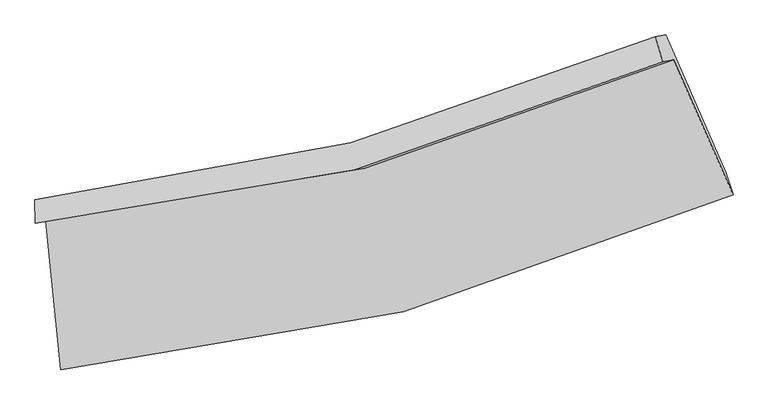
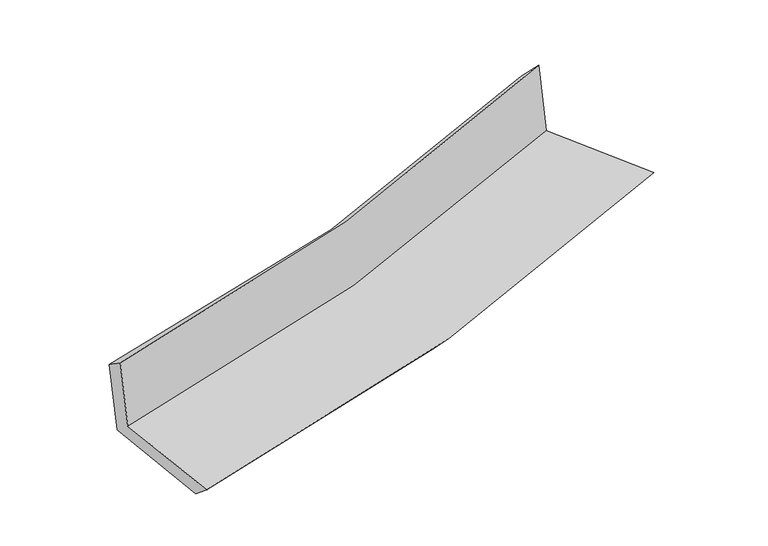
"""IFC4 building model written with IfcOpenShell, lengths in millimetres: proxy geometry."""

from ifc_helpers import new_model, si_unit, frame, origin, place, context, project, spatial, source, transform, mapped, element, save
from ifc_brep_helpers import plane_surface, spline_curve, spline_surface, advanced_brep


def generic_models_e5228876(model_context):
    return source(origin(), model_context, "Body", "AdvancedBrep", [
        advanced_brep(
        [(-1434.8310552, -1809.9180478, 1689.699542), (-1369.156308, -2467.2663661, 1684.2028177), (1604.557223, -1692.2559242, 2069.845354), (1342.1173855, -1095.5752312, 2051.0901304), (-1481.5936009, -1817.9301714, 2089.144283), (1293.7824511, -1103.8567621, 2463.9661839), (-1483.2734631, -1713.3890616, 2016.3982862), (1259.9635361, -993.3797168, 2343.2238659), (-1434.872361, -1705.0961937, 1602.9570292), (1305.7545266, -985.5340559, 1952.078131), (-1369.1987072, -2362.4335678, 1597.4603964), (1572.5977171, -1592.2261699, 1971.1480396)],
        [
            (0, 1),
            (1, 2, spline_curve(3, [(-1369.156308, -2467.2663661, 1684.2028177), (-854.179948956, -2423.903513129, 1764.138500669), (-349.33516121, -2337.842462501, 1836.197022467), (641.980199457, -2079.832333934, 1964.804803), (1128.373255366, -1907.55657061, 2021.293793287), (1604.557223, -1692.2559242, 2069.845354)], [4, 2, 4], [0.0, 0.49904726188980736, 1.0])),
            (2, 3),
            (3, 0, spline_curve(3, [(1342.1173855, -1095.5752312, 2051.0901304), (896.950666341, -1295.55212892, 2006.477090104), (442.496322224, -1455.105696851, 1953.982312629), (-483.223678376, -1692.913037117, 1833.458937596), (-954.41881453, -1771.473741347, 1765.490185605), (-1434.8310552, -1809.9180478, 1689.699542)], [4, 2, 4], [0.0, 0.5009527381101926, 1.0])),
            (4, 0),
            (3, 5),
            (5, 4, spline_curve(3, [(1293.7824511, -1103.8567621, 2463.9661839), (849.249404309, -1303.725088717, 2413.940326776), (395.242824944, -1463.201938379, 2357.620752266), (-529.954457723, -1700.919718045, 2232.632330799), (-1001.073228982, -1779.467338133, 2164.011271701), (-1481.5936009, -1817.9301714, 2089.144283)], [4, 2, 4], [0.0, 0.5009527381101926, 1.0])),
            (6, 4),
            (5, 7),
            (7, 6, spline_curve(3, [(1259.9635361, -993.3797168, 2343.2238659), (820.852794883, -1186.174501001, 2289.895427905), (372.240673045, -1342.617866872, 2235.942659978), (-542.243803421, -1582.344967638, 2126.996059578), (-1008.044014673, -1665.904716677, 2072.006967605), (-1483.2734631, -1713.3890616, 2016.3982862)], [4, 2, 4], [0.0, 0.5009527381101926, 1.0])),
            (8, 6),
            (7, 9),
            (9, 8, spline_curve(3, [(1305.7545266, -985.5340559, 1952.078131), (867.022266214, -1178.263992571, 1895.516717296), (418.81736322, -1334.637587031, 1838.085494152), (-494.796857847, -1574.215581398, 1721.705189152), (-960.134250769, -1657.696032877, 1662.762711685), (-1434.872361, -1705.0961937, 1602.9570292)], [4, 2, 4], [0.0, 0.5009527381101926, 1.0])),
            (10, 8),
            (9, 11),
            (11, 10, spline_curve(3, [(1572.5977171, -1592.2261699, 1971.1480396), (1102.646372812, -1802.896955682, 1910.571982621), (622.033595148, -1972.460419394, 1849.082241729), (-358.646164586, -2228.884093194, 1724.512756463), (-858.632195039, -2316.056428812, 1661.43994959), (-1369.1987072, -2362.4335678, 1597.4603964)], [4, 2, 4], [0.0, 0.5009527381101926, 1.0])),
            (1, 10),
            (11, 2),
        ],
        [
            spline_surface(3, 3, [[(-1434.8310552, -1809.9180478, 1689.699542), (-954.418814527, -1771.473741345, 1765.490185613), (-483.223678381, -1692.913037115, 1833.458937591), (442.496322229, -1455.105696853, 1953.982312634), (896.950666338, -1295.55212892, 2006.477090102), (1342.1173855, -1095.5752312, 2051.0901304)], [(-1412.939472814, -2029.034153899, 1687.86730056), (-921.005859351, -1988.950331941, 1765.039623956), (-438.594172671, -1907.889512261, 1834.371632564), (508.990947963, -1663.347909226, 1957.589809442), (974.091529355, -1499.55360949, 2011.41599116), (1429.59733134, -1294.46879554, 2057.341871598)], [(-1391.047890386, -2248.150260001, 1686.03505914), (-887.592904134, -2206.426922539, 1764.589062319), (-393.964666927, -2122.865987363, 1835.284327486), (575.48557373, -1871.590121555, 1961.1973062), (1051.232392353, -1703.55509004, 2016.354892223), (1517.07727716, -1493.36235986, 2063.593612802)], [(-1369.156308, -2467.2663661, 1684.2028177), (-854.179948958, -2423.903513135, 1764.138500662), (-349.335161217, -2337.842462508, 1836.197022459), (641.980199464, -2079.832333927, 1964.804803008), (1128.373255371, -1907.55657061, 2021.293793281), (1604.557223, -1692.2559242, 2069.845354)]], [4, 4], [4, 2, 4], [0.0, 1.0], [0.0, 0.49904726188980736, 1.0]),
            spline_surface(3, 3, [[(-1481.5936009, -1817.9301714, 2089.144283), (-1001.073228987, -1779.467338133, 2164.011271696), (-529.954457718, -1700.919718051, 2232.632330801), (395.242824939, -1463.201938372, 2357.620752264), (849.249404304, -1303.725088714, 2413.940326782), (1293.7824511, -1103.8567621, 2463.9661839)], [(-1466.006085651, -1815.259463525, 1955.996036003), (-985.521757484, -1776.802805862, 2031.170909671), (-514.377531262, -1698.250824421, 2099.574533063), (410.993990713, -1460.503191215, 2223.07460572), (865.149824971, -1301.000768768, 2278.119247896), (1309.894095889, -1101.096251786, 2326.340832741)], [(-1450.418570449, -1812.588755675, 1822.847788997), (-969.97028603, -1774.138273616, 1898.330547638), (-498.800604838, -1695.581930745, 1966.516735329), (426.745156455, -1457.804444011, 2088.528459178), (881.050245671, -1298.276448865, 2142.298168988), (1326.005740711, -1098.335741514, 2188.715481559)], [(-1434.8310552, -1809.9180478, 1689.699542), (-954.418814527, -1771.473741345, 1765.490185613), (-483.223678381, -1692.913037115, 1833.458937591), (442.496322229, -1455.105696853, 1953.982312634), (896.950666338, -1295.55212892, 2006.477090102), (1342.1173855, -1095.5752312, 2051.0901304)]], [4, 4], [4, 2, 4], [0.0, 1.0], [0.0, 0.49904726188980736, 1.0]),
            spline_surface(3, 3, [[(-1483.2734631, -1713.3890616, 2016.3982862), (-1008.044014677, -1665.904716685, 2072.006967609), (-542.243803427, -1582.344967638, 2126.996059577), (372.24067305, -1342.617866872, 2235.942659979), (820.852794891, -1186.174500998, 2289.895427907), (1259.9635361, -993.3797168, 2343.2238659)], [(-1482.713509051, -1748.236098216, 2040.646951805), (-1005.720419465, -1703.75892385, 2102.675068977), (-538.147354868, -1621.869884442, 2162.208149972), (379.908057003, -1382.812557372, 2276.502024061), (830.318331373, -1225.358030245, 2331.243727541), (1271.236507777, -1030.205398575, 2383.471305242)], [(-1482.153554949, -1783.083134784, 2064.895617395), (-1003.396824199, -1741.613130968, 2133.343170329), (-534.050906277, -1661.394801247, 2197.420240406), (387.575440987, -1423.007247873, 2317.061388182), (839.783867822, -1264.541559467, 2372.592027149), (1282.509479423, -1067.031080325, 2423.718744558)], [(-1481.5936009, -1817.9301714, 2089.144283), (-1001.073228987, -1779.467338133, 2164.011271696), (-529.954457718, -1700.919718051, 2232.632330801), (395.242824939, -1463.201938372, 2357.620752264), (849.249404304, -1303.725088714, 2413.940326782), (1293.7824511, -1103.8567621, 2463.9661839)]], [4, 4], [4, 2, 4], [0.0, 1.0], [0.0, 0.49904726188980736, 1.0]),
            spline_surface(3, 3, [[(-1434.872361, -1705.0961937, 1602.9570292), (-960.134250763, -1657.696032873, 1662.762711681), (-494.796857841, -1574.215581406, 1721.705189145), (418.817363213, -1334.637587023, 1838.085494159), (867.022266215, -1178.263992577, 1895.516717289), (1305.7545266, -985.5340559, 1952.078131)], [(-1451.006061701, -1707.860482994, 1740.770781526), (-976.104172069, -1660.432260804, 1799.17746365), (-510.612506351, -1576.9253768, 1856.802145946), (403.291799844, -1337.297680289, 1970.704549423), (851.632442456, -1180.900828715, 2026.976287486), (1290.490863116, -988.149276198, 2082.460042625)], [(-1467.139762399, -1710.624772306, 1878.584533874), (-992.074093371, -1663.168488754, 1935.592215641), (-526.428154916, -1579.635172244, 1991.899102776), (387.76623642, -1339.957773606, 2103.323604716), (836.24261865, -1183.53766486, 2158.43585771), (1275.227199584, -990.764496502, 2212.841954275)], [(-1483.2734631, -1713.3890616, 2016.3982862), (-1008.044014677, -1665.904716685, 2072.006967609), (-542.243803427, -1582.344967638, 2126.996059577), (372.24067305, -1342.617866872, 2235.942659979), (820.852794891, -1186.174500998, 2289.895427907), (1259.9635361, -993.3797168, 2343.2238659)]], [4, 4], [4, 2, 4], [0.0, 1.0], [0.0, 0.49904726188980736, 1.0]),
            spline_surface(3, 3, [[(-1369.1987072, -2362.4335678, 1597.4603964), (-858.632195035, -2316.056428819, 1661.439949596), (-358.646164581, -2228.884093202, 1724.512756461), (622.033595143, -1972.460419386, 1849.082241731), (1102.646372807, -1802.896955676, 1910.571982621), (1572.5977171, -1592.2261699, 1971.1480396)], [(-1391.089925112, -2143.321109775, 1599.292607335), (-892.46621359, -2096.602963513, 1661.880870293), (-404.029729031, -2010.661255953, 1723.576900707), (554.294851137, -1759.852808615, 1845.416659226), (1024.105003944, -1594.685967962, 1905.553560859), (1483.649986934, -1389.995465219, 1964.791403415)], [(-1412.981143088, -1924.208651725, 1601.124818265), (-926.300232208, -1877.14949818, 1662.321790985), (-449.413293391, -1792.438418654, 1722.641044898), (486.55610722, -1547.245197794, 1841.751076664), (945.563635079, -1386.474980291, 1900.535139051), (1394.702256766, -1187.764760581, 1958.434767185)], [(-1434.872361, -1705.0961937, 1602.9570292), (-960.134250763, -1657.696032873, 1662.762711681), (-494.796857841, -1574.215581406, 1721.705189145), (418.817363213, -1334.637587023, 1838.085494159), (867.022266215, -1178.263992577, 1895.516717289), (1305.7545266, -985.5340559, 1952.078131)]], [4, 4], [4, 2, 4], [0.0, 1.0], [0.0, 0.49904726188980736, 1.0]),
            spline_surface(3, 3, [[(-1369.156308, -2467.2663661, 1684.2028177), (-854.179948958, -2423.903513135, 1764.138500662), (-349.335161217, -2337.842462508, 1836.197022459), (641.980199464, -2079.832333927, 1964.804803008), (1128.373255371, -1907.55657061, 2021.293793281), (1604.557223, -1692.2559242, 2069.845354)], [(-1369.170441071, -2432.322099991, 1655.288677271), (-855.664030988, -2387.954485021, 1729.905650312), (-352.438828983, -2301.523006043, 1798.968933781), (635.33133138, -2044.041695717, 1926.230615904), (1119.797627827, -1872.670032315, 1984.38652304), (1593.904054344, -1658.912672783, 2036.946249179)], [(-1369.184574129, -2397.377833909, 1626.374536829), (-857.148113005, -2352.005456933, 1695.672799947), (-355.542496816, -2265.203549667, 1761.740845139), (628.682463227, -2008.251057596, 1887.656428836), (1111.222000351, -1837.783493972, 1947.479252862), (1583.250885756, -1625.569421317, 2004.047144421)], [(-1369.1987072, -2362.4335678, 1597.4603964), (-858.632195035, -2316.056428819, 1661.439949596), (-358.646164581, -2228.884093202, 1724.512756461), (622.033595143, -1972.460419386, 1849.082241731), (1102.646372807, -1802.896955676, 1910.571982621), (1572.5977171, -1592.2261699, 1971.1480396)]], [4, 4], [4, 2, 4], [0.0, 0.5171235838656372], [0.0, 5.061631509712366, 10.14258948249676]),
            plane_surface(frame((1396.4621399, -1243.8046433, 2141.8919508), z_axis=(0.9080332545256796, 0.4029783885194612, 0.11438543203468045), x_axis=(-0.11625173725026196, -0.019918147645509972, 0.9930200405735363))),
            plane_surface(frame((-1428.8209159, -1979.3389014, 1779.9770591), z_axis=(-0.9882323312410884, -0.09774910283375447, -0.11765191194791505), x_axis=(-0.09941022621497113, 0.9950117488198634, 0.00832025446277107))),
        ],
        [
            (0, [[1, 2, 3, 4]]),
            (1, [[5, -4, 6, 7]]),
            (2, [[8, -7, 9, 10]]),
            (3, [[11, -10, 12, 13]]),
            (4, [[14, -13, 15, 16]]),
            (5, [[17, -16, 18, -2]]),
            (6, [[-12, -9, -6, -3, -18, -15]]),
            (7, [[-1, -5, -8, -11, -14, -17]]),
        ],
    ),
    ])


if __name__ == "__main__":
    model = new_model("IFC4")
    model_context = context("Model", 3, world=origin())
    ifc_project = project(units=[si_unit("LENGTHUNIT", "METRE", prefix="MILLI")], contexts=[model_context])
    site = spatial("IfcSite", under=ifc_project)
    building = spatial("IfcBuilding", under=site)
    placement = place(None, origin())
    generic_models_shape = generic_models_e5228876(model_context)
    element("IfcBuildingElementProxy", 1, Name="Generic Models", at=placement, inside=building, context=model_context, shape_type="MappedRepresentation", body=[
        mapped(generic_models_shape, transform((0.0, 0.0, 0.0), x_axis=(1.0, 0.0, 0.0), y_axis=(0.0, 1.0, 0.0), z_axis=(0.0, 0.0, 1.0))),
    ])
    save(model, "model.ifc")
